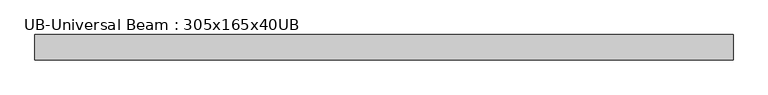
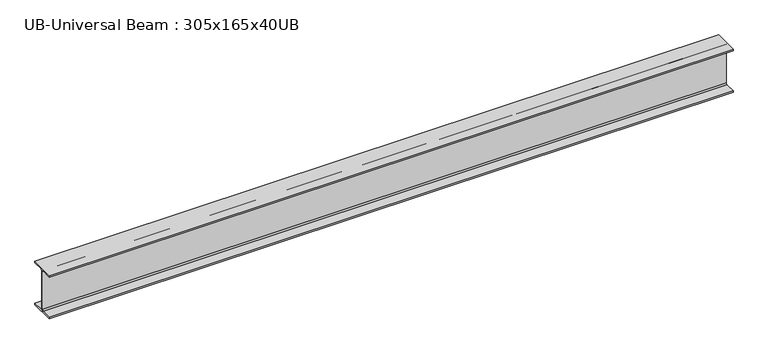
"""IFC4 building model written with IfcOpenShell, lengths in millimetres: beam geometry, UB-Universal Beam : 305x165x40UB."""

from ifc_helpers import new_model, si_unit, point, frame, frame_2d, origin, place, context, project, spatial, polyline, circle_curve, trimmed, segment, composite_curve, outline, extrude, source, transform, mapped, element, save


def ub_universal_beam_305x165x40ub_59a73b34(model_context):
    return source(origin(), model_context, "Body", "SweptSolid", [
        extrude(outline(composite_curve([segment(polyline([(82.5, -141.5), (82.5, -151.7), (-82.5, -151.7), (-82.5, -141.5), (-11.9, -141.5)]), True, "CONTINUOUS"), segment(trimmed(circle_curve(frame_2d((-11.9, -132.6)), 8.9), [point((-11.9, -141.5))], [point((-3.0, -132.6))], True, "CARTESIAN"), True, "CONTINUOUS"), segment(polyline([(-3.0, -132.6), (-3.0, 132.6)]), True, "CONTINUOUS"), segment(trimmed(circle_curve(frame_2d((-11.9, 132.6)), 8.9), [point((-3.0, 132.6))], [point((-11.9, 141.5))], True, "CARTESIAN"), True, "CONTINUOUS"), segment(polyline([(-11.9, 141.5), (-82.5, 141.5), (-82.5, 151.7), (82.5, 151.7), (82.5, 141.5), (11.9, 141.5)]), True, "CONTINUOUS"), segment(trimmed(circle_curve(frame_2d((11.9, 132.6)), 8.9), [point((11.9, 141.5))], [point((3.0, 132.6))], True, "CARTESIAN"), True, "CONTINUOUS"), segment(polyline([(3.0, 132.6), (3.0, -132.6)]), True, "CONTINUOUS"), segment(trimmed(circle_curve(frame_2d((11.9, -132.6)), 8.9), [point((3.0, -132.6))], [point((11.9, -141.5))], True, "CARTESIAN"), True, "CONTINUOUS"), segment(polyline([(11.9, -141.5), (82.5, -141.5)]), True, "CONTINUOUS")], self_intersect=False)), frame((-2382.8321986, 0.0, 0.0), z_axis=(1.0, 0.0, 0.0), x_axis=(0.0, 1.0, 0.0)), (0.0, 0.0, 1.0), 4535.9145834),
    ])


if __name__ == "__main__":
    model = new_model("IFC4")
    model_context = context("Model", 3, world=origin())
    ifc_project = project(units=[si_unit("LENGTHUNIT", "METRE", prefix="MILLI")], contexts=[model_context])
    site = spatial("IfcSite", under=ifc_project)
    building = spatial("IfcBuilding", under=site)
    placement = place(None, origin())
    ub_universal_beam_305x165x40ub_shape = ub_universal_beam_305x165x40ub_59a73b34(model_context)
    element("IfcBeam", 1, ObjectType="UB-Universal Beam : 305x165x40UB", at=placement, inside=building, context=model_context, shape_type="MappedRepresentation", body=[
        mapped(ub_universal_beam_305x165x40ub_shape, transform((0.0, 0.0, 0.0), x_axis=(1.0, 0.0, 0.0), y_axis=(0.0, 1.0, 0.0), z_axis=(0.0, 0.0, 1.0))),
    ])
    save(model, "model.ifc")
